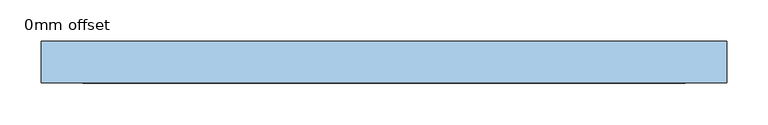
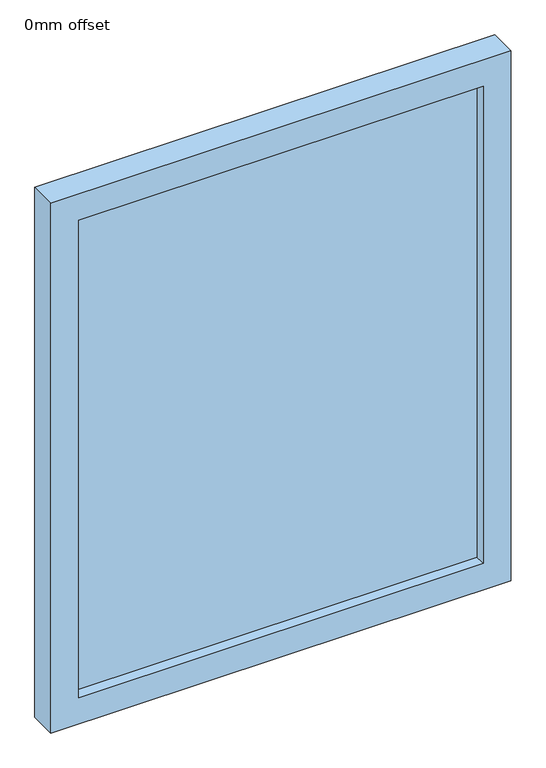
"""IFC4 building model written with IfcOpenShell, lengths in millimetres: window geometry, 0mm offset."""

from ifc_helpers import new_model, si_unit, frame, origin, place, context, project, spatial, polyline, outline, extrude, source, transform, mapped, element, save


def window_0mm_offset_df6d83fc(model_context):
    return source(origin(), model_context, "Body", "SweptSolid", [
        extrude(outline(polyline([(363.125, -30.95), (-363.125, -30.95), (-363.125, -18.25), (363.125, -18.25), (363.125, -30.95)])), frame((0.0, 0.0, 50.0), z_axis=(0.0, 0.0, 1.0), x_axis=(1.0, 0.0, 0.0)), (0.0, 0.0, 1.0), 905.0),
        extrude(outline(polyline([(1005.0, -413.125), (0.0, -413.125), (0.0, 413.125), (1005.0, 413.125), (1005.0, -413.125)]), holes=[polyline([(955.0, -363.125), (955.0, 363.125), (50.0, 363.125), (50.0, -363.125), (955.0, -363.125)])]), frame((0.0, -50.0, 0.0), z_axis=(0.0, 1.0, 0.0), x_axis=(0.0, 0.0, 1.0)), (0.0, 0.0, 1.0), 50.0),
    ])


if __name__ == "__main__":
    model = new_model("IFC4")
    model_context = context("Model", 3, world=origin())
    ifc_project = project(units=[si_unit("LENGTHUNIT", "METRE", prefix="MILLI")], contexts=[model_context])
    site = spatial("IfcSite", under=ifc_project)
    building = spatial("IfcBuilding", under=site)
    placement = place(None, origin())
    window_0mm_offset_shape = window_0mm_offset_df6d83fc(model_context)
    element("IfcWindow", 1, ObjectType="0mm offset", at=placement, inside=building, context=model_context, shape_type="MappedRepresentation", body=[
        mapped(window_0mm_offset_shape, transform((0.0, 0.0, 0.0), x_axis=(1.0, 0.0, 0.0), y_axis=(0.0, 1.0, 0.0), z_axis=(0.0, 0.0, 1.0))),
    ])
    save(model, "model.ifc")
